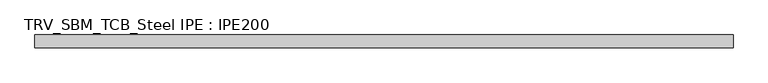
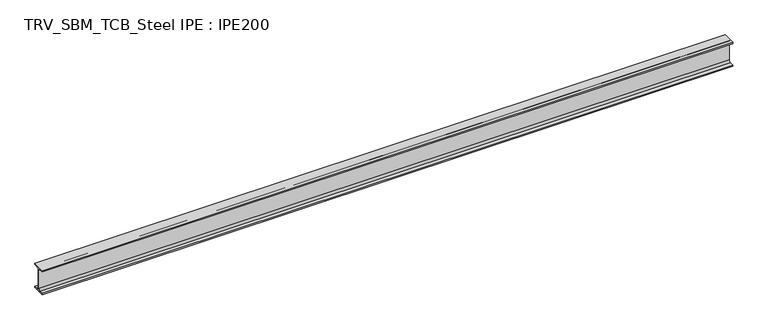
"""IFC4 building model written with IfcOpenShell, lengths in millimetres: beam geometry, TRV_SBM_TCB_Steel IPE : IPE200."""

import ifcopenshell
import ifcopenshell.guid

model = None  # the IFC model being written
_history = None  # IfcOwnerHistory: only IFC2X3 demands one
_inside = {}  # id of a spatial element -> (the spatial element, [elements in it])
_under = {}  # id of a project, library or spatial element -> (it, [spatial elements below it])
_declared = {}  # id of a project -> (the project, [libraries it declares])
_typed = {}  # id of a type object -> (the type object, [elements of that type])
_made_of = {}  # id of a material, layer set ... -> (it, [elements and type objects made of it])


def new_model(schema):
    """Start an empty IFC model of exactly this schema.

    Asked for "IFC4X3", IfcOpenShell would pick the latest addendum, in which some entities
    have other attributes; the version numbers below select the first issue.
    IFC2X3 requires an IfcOwnerHistory on every rooted entity: one is made here for all.
    """
    global model, _history
    if schema == "IFC4X3":
        model = ifcopenshell.file(schema_version=(4, 3, 0, 0))
    else:
        model = ifcopenshell.file(schema=schema)
    _inside.clear()
    _under.clear()
    _declared.clear()
    _typed.clear()
    _made_of.clear()
    _history = None
    if model.schema == "IFC2X3":
        org = make("IfcOrganization", Name="unknown")
        user = make(
            "IfcPersonAndOrganization",
            ThePerson=make("IfcPerson", FamilyName="unknown"),
            TheOrganization=org,
        )
        app = make(
            "IfcApplication",
            ApplicationDeveloper=org,
            Version="unknown",
            ApplicationFullName="unknown",
            ApplicationIdentifier="unknown",
        )
        _history = make(
            "IfcOwnerHistory",
            OwningUser=user,
            OwningApplication=app,
            ChangeAction="ADDED",
            CreationDate=0,
        )
    return model


def make(cls, **values):
    """One entity of the class cls with the attributes given. An attribute that is None is left unset."""
    return model.create_entity(
        cls, **{name: value for name, value in values.items() if value is not None}
    )


def rooted(cls, **values):
    """An entity with a GlobalId (a new one), such as an element, a storey or a relation."""
    return make(cls, GlobalId=ifcopenshell.guid.new(), OwnerHistory=_history, **values)


def si_unit(unit_type, name, prefix=None):
    """IfcSIUnit, for example si_unit("LENGTHUNIT", "METRE", prefix="MILLI")."""
    return make("IfcSIUnit", UnitType=unit_type, Prefix=prefix, Name=name)


def assignment(units):
    """IfcUnitAssignment: the units of a project."""
    return None if units is None else make("IfcUnitAssignment", Units=units)


def point(xyz):
    """IfcCartesianPoint."""
    return None if xyz is None else make("IfcCartesianPoint", Coordinates=xyz)


def direction(xyz):
    """IfcDirection."""
    return None if xyz is None else make("IfcDirection", DirectionRatios=xyz)


def frame(location, z_axis=None, x_axis=None):
    """IfcAxis2Placement3D, a coordinate frame: its origin and axes. An axis left out is left unset."""
    return make(
        "IfcAxis2Placement3D",
        Location=point(location),
        Axis=direction(z_axis),
        RefDirection=direction(x_axis),
    )


def frame_2d(location, x_axis=None):
    """IfcAxis2Placement2D, a coordinate frame in the plane: its origin and x axis."""
    return make(
        "IfcAxis2Placement2D", Location=point(location), RefDirection=direction(x_axis)
    )


def origin():
    """The frame at (0, 0, 0) with its axes left unset."""
    return frame((0.0, 0.0, 0.0))


def place(relative_to, where):
    """IfcLocalPlacement: puts the frame where relative to a parent placement (None: the world)."""
    return make(
        "IfcLocalPlacement", PlacementRelTo=relative_to, RelativePlacement=where
    )


def context(
    kind, dimensions, precision=None, world=None, true_north=None, identifier=None
):
    """IfcGeometricRepresentationContext, for example the 3D "Model" context."""
    return make(
        "IfcGeometricRepresentationContext",
        ContextIdentifier=identifier,
        ContextType=kind,
        CoordinateSpaceDimension=dimensions,
        Precision=precision,
        WorldCoordinateSystem=world,
        TrueNorth=true_north,
    )


def project(units=None, contexts=None):
    """IfcProject with its units and contexts."""
    return rooted(
        "IfcProject",
        Name="project",
        RepresentationContexts=contexts,
        UnitsInContext=assignment(units),
    )


def spatial(cls, under=None, at=None, **own):
    """A site, building, storey or space (cls), placed at a placement, below another one or the project."""
    s = rooted(cls, ObjectPlacement=at, **own)
    if under is not None:
        _under.setdefault(under.id(), (under, []))[1].append(s)
    return s


def polyline(points):
    """IfcPolyline through the points."""
    return make("IfcPolyline", Points=[point(p) for p in points])


def circle_curve(where, radius):
    """IfcCircle in the frame where."""
    return make("IfcCircle", Position=where, Radius=radius)


def trimmed(basis, trim1, trim2, sense, master):
    """IfcTrimmedCurve: the piece of a basis curve between two trims."""
    return make(
        "IfcTrimmedCurve",
        BasisCurve=basis,
        Trim1=trim1,
        Trim2=trim2,
        SenseAgreement=sense,
        MasterRepresentation=master,
    )


def segment(curve, same_sense, transition):
    """IfcCompositeCurveSegment."""
    return make(
        "IfcCompositeCurveSegment",
        Transition=transition,
        SameSense=same_sense,
        ParentCurve=curve,
    )


def composite_curve(segments, self_intersect=None):
    """IfcCompositeCurve: segments joined end to end."""
    return make("IfcCompositeCurve", Segments=segments, SelfIntersect=self_intersect)


def outline(outer, holes=None, kind="AREA"):
    """IfcArbitraryClosedProfileDef: a profile drawn as a closed curve; with holes, ...WithVoids."""
    if holes is None:
        return make("IfcArbitraryClosedProfileDef", ProfileType=kind, OuterCurve=outer)
    return make(
        "IfcArbitraryProfileDefWithVoids",
        ProfileType=kind,
        OuterCurve=outer,
        InnerCurves=holes,
    )


def extrude(swept, where, along, depth):
    """IfcExtrudedAreaSolid: the profile swept, set in the frame where, extruded along a direction by depth."""
    return make(
        "IfcExtrudedAreaSolid",
        SweptArea=swept,
        Position=where,
        ExtrudedDirection=direction(along),
        Depth=depth,
    )


def shape(context_of_items, identifier, shape_type, items):
    """IfcShapeRepresentation: the items that make up one representation, for example the "Body"."""
    return make(
        "IfcShapeRepresentation",
        ContextOfItems=context_of_items,
        RepresentationIdentifier=identifier,
        RepresentationType=shape_type,
        Items=items,
    )


def source(mapping_origin, context_of_items, identifier, shape_type, items):
    """IfcRepresentationMap: a shape defined once, which mapped items show again and again."""
    return make(
        "IfcRepresentationMap",
        MappingOrigin=mapping_origin,
        MappedRepresentation=shape(context_of_items, identifier, shape_type, items),
    )


def transform(
    local_origin,
    x_axis=None,
    y_axis=None,
    z_axis=None,
    scale=None,
    scale2=None,
    scale3=None,
    uniform=True,
):
    """IfcCartesianTransformationOperator3D, or its non-uniform kind. x_axis, y_axis, z_axis: its Axis1, 2, 3."""
    if uniform:
        return make(
            "IfcCartesianTransformationOperator3D",
            Axis1=direction(x_axis),
            Axis2=direction(y_axis),
            LocalOrigin=point(local_origin),
            Scale=scale,
            Axis3=direction(z_axis),
        )
    return make(
        "IfcCartesianTransformationOperator3DnonUniform",
        Axis1=direction(x_axis),
        Axis2=direction(y_axis),
        LocalOrigin=point(local_origin),
        Scale=scale,
        Axis3=direction(z_axis),
        Scale2=scale2,
        Scale3=scale3,
    )


def mapped(mapping_source, mapping_target):
    """IfcMappedItem: shows the shape of a source again, moved by a transform."""
    return make(
        "IfcMappedItem", MappingSource=mapping_source, MappingTarget=mapping_target
    )


def made_of(thing, what):
    """Note that an element or type object is made of a material, layer set ...; save() writes the relation."""
    if what is not None:
        _made_of.setdefault(what.id(), (what, []))[1].append(thing)
    return thing


def element(
    cls,
    number,
    at=None,
    inside=None,
    cuts=None,
    type_object=None,
    material=None,
    context=None,
    identifier="Body",
    shape_type=None,
    held_by="IfcProductDefinitionShape",
    body=None,
    shapes=None,
    **own,
):
    """One element of the class cls, such as IfcWall. Its Tag is "e" and its number.

    at: its placement. inside: the storey or other place that contains it. cuts: it is an
    opening in that element (IfcRelVoidsElement). A single representation is given by context,
    identifier, shape_type and body (its items); several are given by shapes. held_by: the class
    of the entity that holds the representations. save() writes the other relations.
    """
    e = rooted(cls, Tag="e%d" % number, ObjectPlacement=at, **own)
    if body is not None:
        shapes = [shape(context, identifier, shape_type, body)]
    if shapes is not None:
        e.Representation = make(held_by, Representations=shapes)
    if inside is not None:
        _inside.setdefault(inside.id(), (inside, []))[1].append(e)
    if cuts is not None:
        rooted(
            "IfcRelVoidsElement", RelatingBuildingElement=cuts, RelatedOpeningElement=e
        )
    if type_object is not None:
        _typed.setdefault(type_object.id(), (type_object, []))[1].append(e)
    return made_of(e, material)


def aggregate(whole, parts):
    """IfcRelAggregates: a whole, such as a stair, and the parts it consists of."""
    return rooted("IfcRelAggregates", RelatingObject=whole, RelatedObjects=parts)


def save(model, path):
    """Write the relations noted so far, then the file.

    IfcRelAggregates (storeys below a building ...), IfcRelContainedInSpatialStructure (elements
    in a storey), IfcRelDefinesByType, IfcRelAssociatesMaterial and IfcRelDeclares: one each for
    every whole, place, type object, material and project.
    """
    for whole, parts in _under.values():
        aggregate(whole, parts)
    for where, things in _inside.values():
        rooted(
            "IfcRelContainedInSpatialStructure",
            RelatedElements=things,
            RelatingStructure=where,
        )
    for kind, things in _typed.values():
        rooted("IfcRelDefinesByType", RelatedObjects=things, RelatingType=kind)
    for what, things in _made_of.values():
        rooted("IfcRelAssociatesMaterial", RelatedObjects=things, RelatingMaterial=what)
    for by, libraries in _declared.values():
        rooted("IfcRelDeclares", RelatingContext=by, RelatedDefinitions=libraries)
    model.write(path)


def trv_sbm_tcb_steel_ipe_ipe200_bc56dca7(model_context):
    return source(origin(), model_context, "Body", "SweptSolid", [
        extrude(outline(composite_curve([segment(polyline([(50.0, -89.3), (50.0, -100.0), (-50.0, -100.0), (-50.0, -89.3), (-18.55, -89.3)]), True, "CONTINUOUS"), segment(trimmed(circle_curve(frame_2d((-18.55, -74.3)), 15.0), [point((-18.55, -89.3))], [point((-3.55, -74.3))], True, "CARTESIAN"), True, "CONTINUOUS"), segment(polyline([(-3.55, -74.3), (-3.55, 74.3)]), True, "CONTINUOUS"), segment(trimmed(circle_curve(frame_2d((-18.55, 74.3)), 15.0), [point((-3.55, 74.3))], [point((-18.55, 89.3))], True, "CARTESIAN"), True, "CONTINUOUS"), segment(polyline([(-18.55, 89.3), (-50.0, 89.3), (-50.0, 100.0), (50.0, 100.0), (50.0, 89.3), (18.55, 89.3)]), True, "CONTINUOUS"), segment(trimmed(circle_curve(frame_2d((18.55, 74.3)), 15.0), [point((18.55, 89.3))], [point((3.55, 74.3))], True, "CARTESIAN"), True, "CONTINUOUS"), segment(polyline([(3.55, 74.3), (3.55, -74.3)]), True, "CONTINUOUS"), segment(trimmed(circle_curve(frame_2d((18.55, -74.3)), 15.0), [point((3.55, -74.3))], [point((18.55, -89.3))], True, "CARTESIAN"), True, "CONTINUOUS"), segment(polyline([(18.55, -89.3), (50.0, -89.3)]), True, "CONTINUOUS")], self_intersect=False)), frame((-2788.0, 0.0, 0.0), z_axis=(1.0, 0.0, 0.0), x_axis=(0.0, 1.0, 0.0)), (0.0, 0.0, 1.0), 5403.0),
    ])


if __name__ == "__main__":
    model = new_model("IFC4")
    model_context = context("Model", 3, world=origin())
    ifc_project = project(units=[si_unit("LENGTHUNIT", "METRE", prefix="MILLI")], contexts=[model_context])
    site = spatial("IfcSite", under=ifc_project)
    building = spatial("IfcBuilding", under=site)
    placement = place(None, origin())
    trv_sbm_tcb_steel_ipe_ipe200_shape = trv_sbm_tcb_steel_ipe_ipe200_bc56dca7(model_context)
    element("IfcBeam", 1, ObjectType="TRV_SBM_TCB_Steel IPE : IPE200", at=placement, inside=building, context=model_context, shape_type="MappedRepresentation", body=[
        mapped(trv_sbm_tcb_steel_ipe_ipe200_shape, transform((0.0, 0.0, 0.0), x_axis=(1.0, 0.0, 0.0), y_axis=(0.0, 1.0, 0.0), z_axis=(0.0, 0.0, 1.0))),
    ])
    save(model, "model.ifc")
